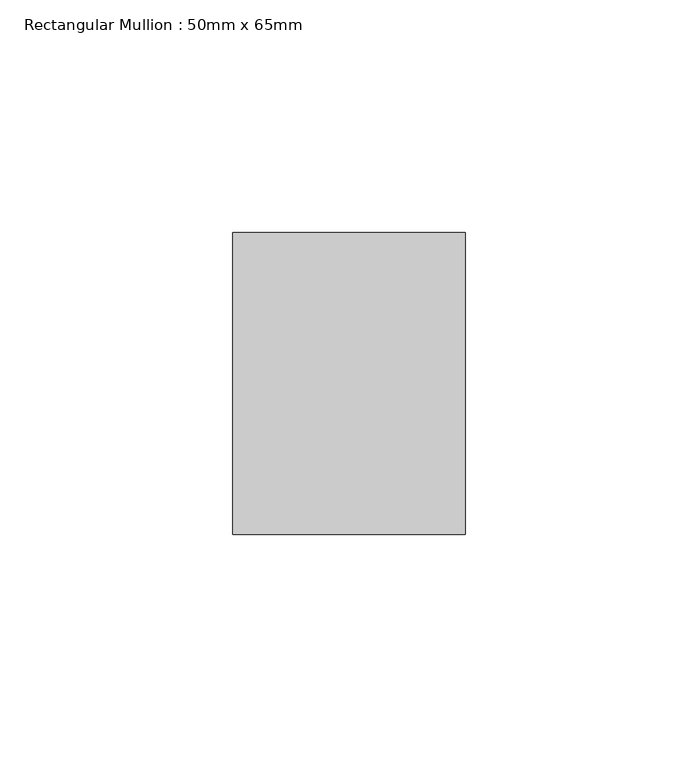
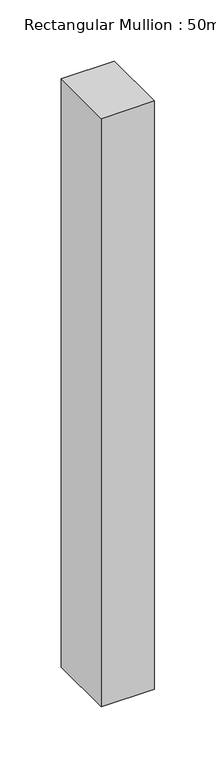
"""IFC4 building model written with IfcOpenShell, lengths in millimetres: member geometry, Rectangular Mullion : 50mm x 65mm."""

import ifcopenshell
import ifcopenshell.guid

model = None  # the IFC model being written
_history = None  # IfcOwnerHistory: only IFC2X3 demands one
_inside = {}  # id of a spatial element -> (the spatial element, [elements in it])
_under = {}  # id of a project, library or spatial element -> (it, [spatial elements below it])
_declared = {}  # id of a project -> (the project, [libraries it declares])
_typed = {}  # id of a type object -> (the type object, [elements of that type])
_made_of = {}  # id of a material, layer set ... -> (it, [elements and type objects made of it])


def new_model(schema):
    """Start an empty IFC model of exactly this schema.

    Asked for "IFC4X3", IfcOpenShell would pick the latest addendum, in which some entities
    have other attributes; the version numbers below select the first issue.
    IFC2X3 requires an IfcOwnerHistory on every rooted entity: one is made here for all.
    """
    global model, _history
    if schema == "IFC4X3":
        model = ifcopenshell.file(schema_version=(4, 3, 0, 0))
    else:
        model = ifcopenshell.file(schema=schema)
    _inside.clear()
    _under.clear()
    _declared.clear()
    _typed.clear()
    _made_of.clear()
    _history = None
    if model.schema == "IFC2X3":
        org = make("IfcOrganization", Name="unknown")
        user = make(
            "IfcPersonAndOrganization",
            ThePerson=make("IfcPerson", FamilyName="unknown"),
            TheOrganization=org,
        )
        app = make(
            "IfcApplication",
            ApplicationDeveloper=org,
            Version="unknown",
            ApplicationFullName="unknown",
            ApplicationIdentifier="unknown",
        )
        _history = make(
            "IfcOwnerHistory",
            OwningUser=user,
            OwningApplication=app,
            ChangeAction="ADDED",
            CreationDate=0,
        )
    return model


def make(cls, **values):
    """One entity of the class cls with the attributes given. An attribute that is None is left unset."""
    return model.create_entity(
        cls, **{name: value for name, value in values.items() if value is not None}
    )


def rooted(cls, **values):
    """An entity with a GlobalId (a new one), such as an element, a storey or a relation."""
    return make(cls, GlobalId=ifcopenshell.guid.new(), OwnerHistory=_history, **values)


def si_unit(unit_type, name, prefix=None):
    """IfcSIUnit, for example si_unit("LENGTHUNIT", "METRE", prefix="MILLI")."""
    return make("IfcSIUnit", UnitType=unit_type, Prefix=prefix, Name=name)


def assignment(units):
    """IfcUnitAssignment: the units of a project."""
    return None if units is None else make("IfcUnitAssignment", Units=units)


def point(xyz):
    """IfcCartesianPoint."""
    return None if xyz is None else make("IfcCartesianPoint", Coordinates=xyz)


def direction(xyz):
    """IfcDirection."""
    return None if xyz is None else make("IfcDirection", DirectionRatios=xyz)


def frame(location, z_axis=None, x_axis=None):
    """IfcAxis2Placement3D, a coordinate frame: its origin and axes. An axis left out is left unset."""
    return make(
        "IfcAxis2Placement3D",
        Location=point(location),
        Axis=direction(z_axis),
        RefDirection=direction(x_axis),
    )


def origin():
    """The frame at (0, 0, 0) with its axes left unset."""
    return frame((0.0, 0.0, 0.0))


def place(relative_to, where):
    """IfcLocalPlacement: puts the frame where relative to a parent placement (None: the world)."""
    return make(
        "IfcLocalPlacement", PlacementRelTo=relative_to, RelativePlacement=where
    )


def context(
    kind, dimensions, precision=None, world=None, true_north=None, identifier=None
):
    """IfcGeometricRepresentationContext, for example the 3D "Model" context."""
    return make(
        "IfcGeometricRepresentationContext",
        ContextIdentifier=identifier,
        ContextType=kind,
        CoordinateSpaceDimension=dimensions,
        Precision=precision,
        WorldCoordinateSystem=world,
        TrueNorth=true_north,
    )


def project(units=None, contexts=None):
    """IfcProject with its units and contexts."""
    return rooted(
        "IfcProject",
        Name="project",
        RepresentationContexts=contexts,
        UnitsInContext=assignment(units),
    )


def spatial(cls, under=None, at=None, **own):
    """A site, building, storey or space (cls), placed at a placement, below another one or the project."""
    s = rooted(cls, ObjectPlacement=at, **own)
    if under is not None:
        _under.setdefault(under.id(), (under, []))[1].append(s)
    return s


def polyline(points):
    """IfcPolyline through the points."""
    return make("IfcPolyline", Points=[point(p) for p in points])


def outline(outer, holes=None, kind="AREA"):
    """IfcArbitraryClosedProfileDef: a profile drawn as a closed curve; with holes, ...WithVoids."""
    if holes is None:
        return make("IfcArbitraryClosedProfileDef", ProfileType=kind, OuterCurve=outer)
    return make(
        "IfcArbitraryProfileDefWithVoids",
        ProfileType=kind,
        OuterCurve=outer,
        InnerCurves=holes,
    )


def extrude(swept, where, along, depth):
    """IfcExtrudedAreaSolid: the profile swept, set in the frame where, extruded along a direction by depth."""
    return make(
        "IfcExtrudedAreaSolid",
        SweptArea=swept,
        Position=where,
        ExtrudedDirection=direction(along),
        Depth=depth,
    )


def shape(context_of_items, identifier, shape_type, items):
    """IfcShapeRepresentation: the items that make up one representation, for example the "Body"."""
    return make(
        "IfcShapeRepresentation",
        ContextOfItems=context_of_items,
        RepresentationIdentifier=identifier,
        RepresentationType=shape_type,
        Items=items,
    )


def source(mapping_origin, context_of_items, identifier, shape_type, items):
    """IfcRepresentationMap: a shape defined once, which mapped items show again and again."""
    return make(
        "IfcRepresentationMap",
        MappingOrigin=mapping_origin,
        MappedRepresentation=shape(context_of_items, identifier, shape_type, items),
    )


def transform(
    local_origin,
    x_axis=None,
    y_axis=None,
    z_axis=None,
    scale=None,
    scale2=None,
    scale3=None,
    uniform=True,
):
    """IfcCartesianTransformationOperator3D, or its non-uniform kind. x_axis, y_axis, z_axis: its Axis1, 2, 3."""
    if uniform:
        return make(
            "IfcCartesianTransformationOperator3D",
            Axis1=direction(x_axis),
            Axis2=direction(y_axis),
            LocalOrigin=point(local_origin),
            Scale=scale,
            Axis3=direction(z_axis),
        )
    return make(
        "IfcCartesianTransformationOperator3DnonUniform",
        Axis1=direction(x_axis),
        Axis2=direction(y_axis),
        LocalOrigin=point(local_origin),
        Scale=scale,
        Axis3=direction(z_axis),
        Scale2=scale2,
        Scale3=scale3,
    )


def mapped(mapping_source, mapping_target):
    """IfcMappedItem: shows the shape of a source again, moved by a transform."""
    return make(
        "IfcMappedItem", MappingSource=mapping_source, MappingTarget=mapping_target
    )


def made_of(thing, what):
    """Note that an element or type object is made of a material, layer set ...; save() writes the relation."""
    if what is not None:
        _made_of.setdefault(what.id(), (what, []))[1].append(thing)
    return thing


def element(
    cls,
    number,
    at=None,
    inside=None,
    cuts=None,
    type_object=None,
    material=None,
    context=None,
    identifier="Body",
    shape_type=None,
    held_by="IfcProductDefinitionShape",
    body=None,
    shapes=None,
    **own,
):
    """One element of the class cls, such as IfcWall. Its Tag is "e" and its number.

    at: its placement. inside: the storey or other place that contains it. cuts: it is an
    opening in that element (IfcRelVoidsElement). A single representation is given by context,
    identifier, shape_type and body (its items); several are given by shapes. held_by: the class
    of the entity that holds the representations. save() writes the other relations.
    """
    e = rooted(cls, Tag="e%d" % number, ObjectPlacement=at, **own)
    if body is not None:
        shapes = [shape(context, identifier, shape_type, body)]
    if shapes is not None:
        e.Representation = make(held_by, Representations=shapes)
    if inside is not None:
        _inside.setdefault(inside.id(), (inside, []))[1].append(e)
    if cuts is not None:
        rooted(
            "IfcRelVoidsElement", RelatingBuildingElement=cuts, RelatedOpeningElement=e
        )
    if type_object is not None:
        _typed.setdefault(type_object.id(), (type_object, []))[1].append(e)
    return made_of(e, material)


def aggregate(whole, parts):
    """IfcRelAggregates: a whole, such as a stair, and the parts it consists of."""
    return rooted("IfcRelAggregates", RelatingObject=whole, RelatedObjects=parts)


def save(model, path):
    """Write the relations noted so far, then the file.

    IfcRelAggregates (storeys below a building ...), IfcRelContainedInSpatialStructure (elements
    in a storey), IfcRelDefinesByType, IfcRelAssociatesMaterial and IfcRelDeclares: one each for
    every whole, place, type object, material and project.
    """
    for whole, parts in _under.values():
        aggregate(whole, parts)
    for where, things in _inside.values():
        rooted(
            "IfcRelContainedInSpatialStructure",
            RelatedElements=things,
            RelatingStructure=where,
        )
    for kind, things in _typed.values():
        rooted("IfcRelDefinesByType", RelatedObjects=things, RelatingType=kind)
    for what, things in _made_of.values():
        rooted("IfcRelAssociatesMaterial", RelatedObjects=things, RelatingMaterial=what)
    for by, libraries in _declared.values():
        rooted("IfcRelDeclares", RelatingContext=by, RelatedDefinitions=libraries)
    model.write(path)


def rectangular_mullion_50mm_x_65mm_97629bf1(model_context):
    return source(origin(), model_context, "Body", "SweptSolid", [
        extrude(outline(polyline([(25.0, 32.5), (25.0, -32.5), (-25.0, -32.5), (-25.0, 32.5), (25.0, 32.5)])), frame((0.0, 0.0, -585.2034978), z_axis=(0.0, 0.0, 1.0), x_axis=(1.0, 0.0, 0.0)), (0.0, 0.0, 1.0), 585.2034978),
    ])


if __name__ == "__main__":
    model = new_model("IFC4")
    model_context = context("Model", 3, world=origin())
    ifc_project = project(units=[si_unit("LENGTHUNIT", "METRE", prefix="MILLI")], contexts=[model_context])
    site = spatial("IfcSite", under=ifc_project)
    building = spatial("IfcBuilding", under=site)
    placement = place(None, origin())
    rectangular_mullion_50mm_x_65mm_shape = rectangular_mullion_50mm_x_65mm_97629bf1(model_context)
    element("IfcMember", 1, ObjectType="Rectangular Mullion : 50mm x 65mm", at=placement, inside=building, context=model_context, shape_type="MappedRepresentation", body=[
        mapped(rectangular_mullion_50mm_x_65mm_shape, transform((0.0, 0.0, 0.0), x_axis=(1.0, 0.0, 0.0), y_axis=(0.0, 1.0, 0.0), z_axis=(0.0, 0.0, 1.0))),
    ])
    save(model, "model.ifc")
